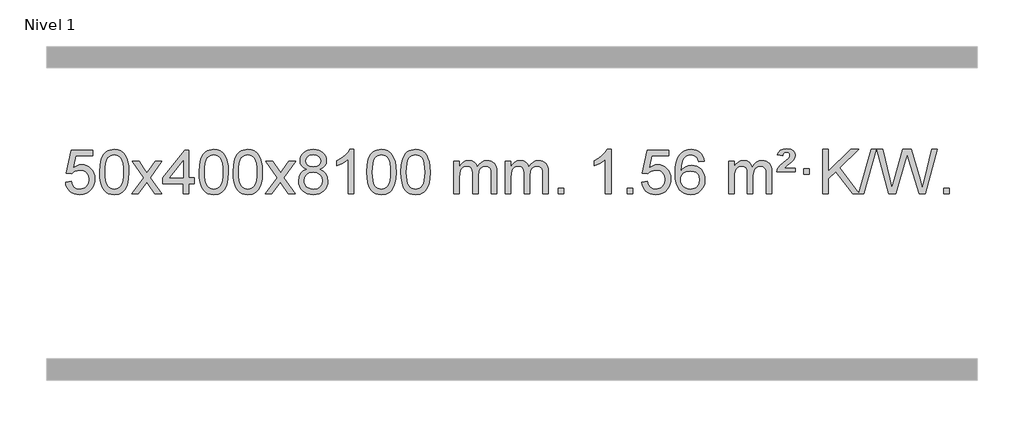
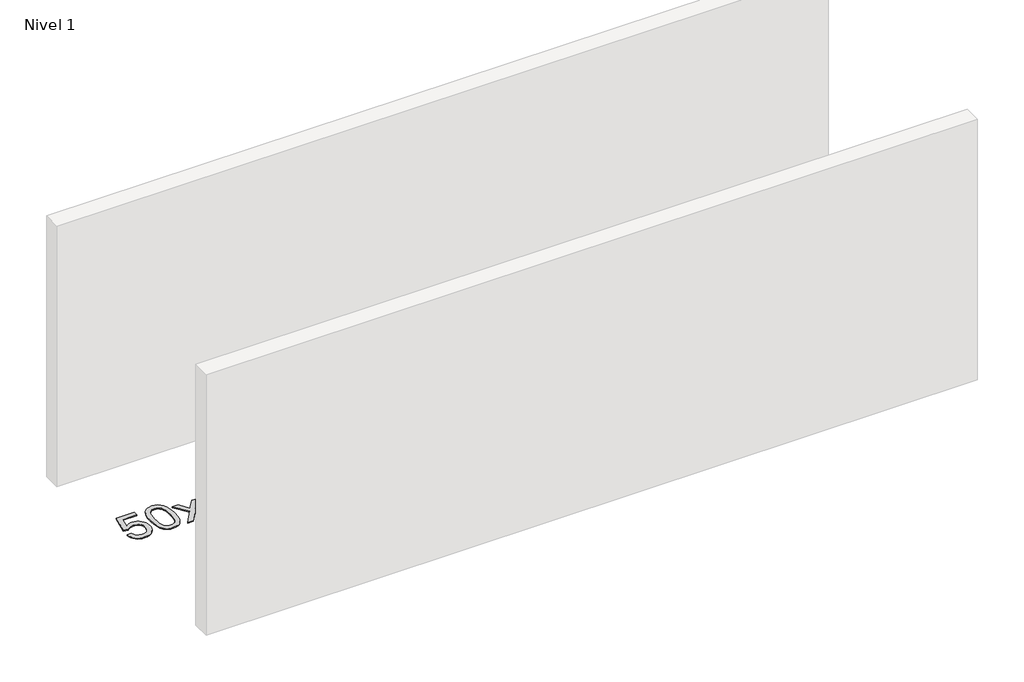
# One storey, part 7 of 7: 1 proxy.
"""IFC4 building model written with IfcOpenShell, lengths in millimetres."""

from ifc_helpers import new_model, si_unit, origin, origin_with_axes, place, context, project, spatial, polyline, outline, extrude, element, save

model = new_model("IFC4")

# Units and contexts
model_context = context("Model", 3, world=origin())
ifc_project = project(units=[si_unit("LENGTHUNIT", "METRE", prefix="MILLI")], contexts=[model_context])

# Site, building, storey
site = spatial("IfcSite", under=ifc_project)
building = spatial("IfcBuilding", under=site)
storey = spatial("IfcBuildingStorey", under=building, Name="Nivel 1", Elevation=0.0)

# Proxy
placement = place(None, origin())
element("IfcBuildingElementProxy", 1, Name="Texto de modelo 1", ObjectType="Texto de modelo 1", at=placement, inside=storey, context=model_context, shape_type="SweptSolid", body=[
    extrude(outline(polyline([(-13306.1697105, -9858.8446235), (-13255.9415554, -9852.5661041), (-13246.71998, -9882.7201649), (-13230.6312741, -9904.3148381), (-13207.749014, -9917.3010725), (-13178.1467761, -9921.6298173), (-13159.0169124, -9920.1245668), (-13142.1433915, -9915.6088153), (-13127.5262136, -9908.0825628), (-13115.1653786, -9897.5458094), (-13105.3367979, -9884.519721), (-13098.3163832, -9869.5254641), (-13092.7000514, -9833.6324441), (-13097.9607639, -9799.8363514), (-13104.5366546, -9785.9181493), (-13113.7429015, -9773.9865099), (-13125.6101615, -9764.4154467), (-13140.1690915, -9757.5789729), (-13177.3619612, -9752.1097939), (-13201.728012, -9754.2925604), (-13221.4587497, -9760.8408599), (-13237.2163618, -9770.8717757), (-13249.663036, -9783.5023908), (-13299.8911911, -9777.2238715), (-13255.9415554, -9570.0327318), (-13061.3074545, -9570.0327318), (-13061.3074545, -9620.2608869), (-13215.3273831, -9620.2608869), (-13236.8116916, -9730.919791), (-13219.0859108, -9718.2155994), (-13200.9309344, -9709.1411769), (-13182.3467623, -9703.6965234), (-13163.3333945, -9701.8816388), (-13138.8723075, -9704.1318504), (-13116.4039146, -9710.882485), (-13095.9282159, -9722.1335427), (-13077.4452113, -9737.8850234), (-13062.144386, -9757.1743027), (-13051.2152251, -9779.038756), (-13044.6577285, -9803.4783832), (-13042.4718963, -9830.4931844), (-13044.440065, -9856.5147042), (-13050.344571, -9880.7213394), (-13060.1854144, -9903.1130902), (-13073.9625951, -9923.6899565), (-13094.833767, -9944.7634634), (-13119.187555, -9959.8159684), (-13147.0239593, -9968.8474714), (-13178.3429799, -9971.8579724), (-13204.2633321, -9969.9235262), (-13227.6759554, -9964.1201877), (-13248.5808498, -9954.447957), (-13266.9780152, -9940.9068338), (-13282.2849719, -9924.1712688), (-13293.91924, -9904.915712), (-13301.8808195, -9883.1401636), (-13306.1697105, -9858.8446235)])), origin_with_axes(), (0.0, 0.0, 1.0), 10.0),
    extrude(outline(polyline([(-12998.5222606, -9767.9041943), (-12994.8311779, -9703.5861588), (-12983.7579299, -9652.2911459), (-12965.4128811, -9613.2343407), (-12953.5548181, -9598.0009605), (-12939.9063961, -9585.6309284), (-12924.4216298, -9576.0598651), (-12907.0545339, -9569.2233914), (-12866.6733536, -9563.7542124), (-12835.722215, -9566.991574), (-12808.0084381, -9576.7036586), (-12784.8318724, -9592.5103217), (-12767.4923677, -9614.0314184), (-12754.3957686, -9641.0830078), (-12743.94792, -9673.4811488), (-12737.1053149, -9714.6226186), (-12734.8244465, -9767.9041943), (-12738.478741, -9831.8543477), (-12749.4416244, -9883.0267333), (-12767.6763087, -9922.1203266), (-12779.5067805, -9937.3996922), (-12793.1460055, -9949.8341036), (-12808.6491659, -9959.4695462), (-12826.071444, -9966.3520052), (-12866.6733536, -9971.8579724), (-12894.3380796, -9969.4667394), (-12918.8635459, -9962.2930405), (-12940.2497526, -9950.3368757), (-12958.4966996, -9933.5982449), (-12976.0078825, -9903.3399508), (-12988.5158704, -9865.6381776), (-12996.0206631, -9820.4929255), (-12998.5222606, -9767.9041943)]), holes=[polyline([(-12948.2941056, -9767.8060924), (-12946.8225776, -9811.4706195), (-12942.4079936, -9846.8148822), (-12935.0503537, -9873.8388804), (-12924.7496579, -9892.5426142), (-12912.290721, -9905.2682656), (-12898.4583579, -9914.3580165), (-12883.2525688, -9919.8118671), (-12866.6733536, -9921.6298173), (-12850.0941383, -9919.8057357), (-12834.8883492, -9914.3334911), (-12821.0559862, -9905.2130833), (-12808.5970493, -9892.4445124), (-12798.2963534, -9873.7101217), (-12790.9387135, -9846.6922549), (-12786.5241295, -9811.3909118), (-12785.0526016, -9767.8060924), (-12786.4750786, -9725.2973278), (-12790.7425098, -9690.5753989), (-12797.854895, -9663.6403055), (-12807.8122343, -9644.4920476), (-12820.0627048, -9631.1440625), (-12834.0544833, -9621.6097875), (-12849.78757, -9615.8892225), (-12867.2619648, -9613.9823675), (-12883.7553409, -9615.6623619), (-12898.7036126, -9620.7023452), (-12912.10678, -9629.1023175), (-12923.9648429, -9640.8622786), (-12934.6088953, -9661.708925), (-12942.2117899, -9689.8151094), (-12946.7735266, -9725.1808319), (-12948.2941056, -9767.8060924)])]), origin_with_axes(), (0.0, 0.0, 1.0), 10.0),
    extrude(outline(polyline([(-12709.7103689, -9965.579453), (-12602.3869282, -9817.2494325), (-12703.4318496, -9670.4890419), (-12643.0011005, -9670.4890419), (-12594.2444734, -9741.122385), (-12571.4848406, -9774.4770192), (-12551.7663657, -9747.2047007), (-12496.2407099, -9670.4890419), (-12435.8099608, -9670.4890419), (-12541.9561791, -9817.2494325), (-12439.7340354, -9965.579453), (-12500.1647845, -9965.579453), (-12561.6746541, -9876.4048574), (-12572.9563686, -9860.1199477), (-12649.2796199, -9965.579453), (-12709.7103689, -9965.579453)])), origin_with_axes(), (0.0, 0.0, 1.0), 10.0),
    extrude(outline(polyline([(-12245.0999345, -9965.579453), (-12245.0999345, -9871.4016622), (-12427.1769967, -9871.4016622), (-12427.1769967, -9821.1735072), (-12232.5428957, -9570.0327318), (-12194.8717794, -9570.0327318), (-12194.8717794, -9821.1735072), (-12144.6436244, -9821.1735072), (-12144.6436244, -9871.4016622), (-12194.8717794, -9871.4016622), (-12194.8717794, -9965.579453), (-12245.0999345, -9965.579453)]), holes=[polyline([(-12245.0999345, -9821.1735072), (-12245.0999345, -9665.9763561), (-12365.3728215, -9821.1735072), (-12245.0999345, -9821.1735072)])]), origin_with_axes(), (0.0, 0.0, 1.0), 10.0),
    extrude(outline(polyline([(-12100.6939887, -9767.9041943), (-12097.002906, -9703.5861588), (-12085.9296579, -9652.2911459), (-12067.5846091, -9613.2343407), (-12055.7265461, -9598.0009605), (-12042.0781241, -9585.6309284), (-12026.5933578, -9576.0598651), (-12009.2262619, -9569.2233914), (-11968.8450816, -9563.7542124), (-11937.8939431, -9566.991574), (-11910.1801661, -9576.7036586), (-11887.0036004, -9592.5103217), (-11869.6640957, -9614.0314184), (-11856.5674967, -9641.0830078), (-11846.119648, -9673.4811488), (-11839.2770429, -9714.6226186), (-11836.9961745, -9767.9041943), (-11840.650469, -9831.8543477), (-11851.6133525, -9883.0267333), (-11869.8480367, -9922.1203266), (-11881.6785085, -9937.3996922), (-11895.3177335, -9949.8341036), (-11910.8208939, -9959.4695462), (-11928.2431721, -9966.3520052), (-11968.8450816, -9971.8579724), (-11996.5098076, -9969.4667394), (-12021.035274, -9962.2930405), (-12042.4214806, -9950.3368757), (-12060.6684276, -9933.5982449), (-12078.1796106, -9903.3399508), (-12090.6875984, -9865.6381776), (-12098.1923911, -9820.4929255), (-12100.6939887, -9767.9041943)]), holes=[polyline([(-12050.4658336, -9767.8060924), (-12048.9943056, -9811.4706195), (-12044.5797217, -9846.8148822), (-12037.2220818, -9873.8388804), (-12026.9213859, -9892.5426142), (-12014.462449, -9905.2682656), (-12000.630086, -9914.3580165), (-11985.4242968, -9919.8118671), (-11968.8450816, -9921.6298173), (-11952.2658663, -9919.8057357), (-11937.0600772, -9914.3334911), (-11923.2277142, -9905.2130833), (-11910.7687773, -9892.4445124), (-11900.4680814, -9873.7101217), (-11893.1104415, -9846.6922549), (-11888.6958576, -9811.3909118), (-11887.2243296, -9767.8060924), (-11888.6468066, -9725.2973278), (-11892.9142378, -9690.5753989), (-11900.026623, -9663.6403055), (-11909.9839624, -9644.4920476), (-11922.2344328, -9631.1440625), (-11936.2262114, -9621.6097875), (-11951.959298, -9615.8892225), (-11969.4336928, -9613.9823675), (-11985.9270689, -9615.6623619), (-12000.8753406, -9620.7023452), (-12014.278508, -9629.1023175), (-12026.136571, -9640.8622786), (-12036.7806234, -9661.708925), (-12044.3835179, -9689.8151094), (-12048.9452547, -9725.1808319), (-12050.4658336, -9767.8060924)])]), origin_with_axes(), (0.0, 0.0, 1.0), 10.0),
    extrude(outline(polyline([(-11793.0465388, -9767.9041943), (-11789.3554561, -9703.5861588), (-11778.2822081, -9652.2911459), (-11759.9371593, -9613.2343407), (-11748.0790963, -9598.0009605), (-11734.4306743, -9585.6309284), (-11718.945908, -9576.0598651), (-11701.5788121, -9569.2233914), (-11661.1976318, -9563.7542124), (-11630.2464932, -9566.991574), (-11602.5327163, -9576.7036586), (-11579.3561506, -9592.5103217), (-11562.0166459, -9614.0314184), (-11548.9200468, -9641.0830078), (-11538.4721982, -9673.4811488), (-11531.6295931, -9714.6226186), (-11529.3487247, -9767.9041943), (-11533.0030192, -9831.8543477), (-11543.9659026, -9883.0267333), (-11562.2005869, -9922.1203266), (-11574.0310587, -9937.3996922), (-11587.6702837, -9949.8341036), (-11603.1734441, -9959.4695462), (-11620.5957222, -9966.3520052), (-11661.1976318, -9971.8579724), (-11688.8623578, -9969.4667394), (-11713.3878241, -9962.2930405), (-11734.7740308, -9950.3368757), (-11753.0209778, -9933.5982449), (-11770.5321607, -9903.3399508), (-11783.0401486, -9865.6381776), (-11790.5449413, -9820.4929255), (-11793.0465388, -9767.9041943)]), holes=[polyline([(-11742.8183838, -9767.8060924), (-11741.3468558, -9811.4706195), (-11736.9322718, -9846.8148822), (-11729.5746319, -9873.8388804), (-11719.2739361, -9892.5426142), (-11706.8149992, -9905.2682656), (-11692.9826361, -9914.3580165), (-11677.776847, -9919.8118671), (-11661.1976318, -9921.6298173), (-11644.6184165, -9919.8057357), (-11629.4126274, -9914.3334911), (-11615.5802644, -9905.2130833), (-11603.1213275, -9892.4445124), (-11592.8206316, -9873.7101217), (-11585.4629917, -9846.6922549), (-11581.0484077, -9811.3909118), (-11579.5768798, -9767.8060924), (-11580.9993568, -9725.2973278), (-11585.266788, -9690.5753989), (-11592.3791732, -9663.6403055), (-11602.3365125, -9644.4920476), (-11614.586983, -9631.1440625), (-11628.5787615, -9621.6097875), (-11644.3118482, -9615.8892225), (-11661.786243, -9613.9823675), (-11678.2796191, -9615.6623619), (-11693.2278908, -9620.7023452), (-11706.6310582, -9629.1023175), (-11718.4891211, -9640.8622786), (-11729.1331735, -9661.708925), (-11736.7360681, -9689.8151094), (-11741.2978048, -9725.1808319), (-11742.8183838, -9767.8060924)])]), origin_with_axes(), (0.0, 0.0, 1.0), 10.0),
    extrude(outline(polyline([(-11504.2346472, -9965.579453), (-11396.9112064, -9817.2494325), (-11497.9561278, -9670.4890419), (-11437.5253787, -9670.4890419), (-11388.7687516, -9741.122385), (-11366.0091188, -9774.4770192), (-11346.2906439, -9747.2047007), (-11290.7649881, -9670.4890419), (-11230.334239, -9670.4890419), (-11336.4804574, -9817.2494325), (-11234.2583136, -9965.579453), (-11294.6890627, -9965.579453), (-11356.1989323, -9876.4048574), (-11367.4806468, -9860.1199477), (-11443.8038981, -9965.579453), (-11504.2346472, -9965.579453)])), origin_with_axes(), (0.0, 0.0, 1.0), 10.0),
    extrude(outline(polyline([(-11129.6817251, -9744.2616447), (-11156.573899, -9731.0178929), (-11175.4462453, -9713.0652515), (-11186.5930698, -9690.7716026), (-11190.3086779, -9664.5048281), (-11188.285327, -9644.0199324), (-11182.215274, -9625.2395565), (-11172.0985192, -9608.1637006), (-11157.9350624, -9592.7923645), (-11140.4054853, -9580.088173), (-11120.1903697, -9571.0137504), (-11097.2897155, -9565.5690969), (-11071.7035227, -9563.7542124), (-11045.9947026, -9565.6120165), (-11022.9223701, -9571.1854287), (-11002.4865253, -9580.4744491), (-10984.6871681, -9593.4790776), (-10970.2661939, -9609.1508506), (-10959.965498, -9626.4413044), (-10953.7850805, -9645.3504389), (-10951.7249413, -9665.8782543), (-10955.3914986, -9691.2989001), (-10966.3911702, -9713.2124043), (-10984.8465836, -9731.0546811), (-11010.8803662, -9744.2616447), (-10979.9660158, -9760.1909351), (-10957.4639005, -9783.6495436), (-10943.741902, -9813.5092989), (-10939.1679026, -9848.6420295), (-10941.4365082, -9873.6947933), (-10948.2423251, -9896.6628926), (-10959.5853533, -9917.5463272), (-10975.4655928, -9936.3450971), (-10995.0491776, -9951.88198), (-11017.5022421, -9962.9797536), (-11042.8247861, -9969.6384177), (-11071.0168096, -9971.8579724), (-11099.2088332, -9969.6292206), (-11124.5313772, -9962.9429654), (-11146.9844416, -9951.7992066), (-11166.5680265, -9936.1979443), (-11182.448266, -9917.26735), (-11193.7912942, -9896.135595), (-11200.5971111, -9872.8026795), (-11202.8657167, -9847.2686033), (-11198.1077762, -9810.7747094), (-11183.8339548, -9780.7555386), (-11160.7800165, -9758.2411605), (-11129.6817251, -9744.2616447)]), holes=[polyline([(-11140.0805229, -9665.9763561), (-11135.6291507, -9687.902123), (-11122.2750343, -9705.413306), (-11100.410581, -9716.8912243), (-11070.4281984, -9720.717197), (-11041.1447916, -9716.9157497), (-11019.6114322, -9705.5114079), (-11006.3676803, -9688.5888361), (-11001.9530964, -9668.232699), (-11006.5148331, -9647.1040098), (-11020.2000434, -9629.629615), (-11042.0277084, -9617.8941794), (-11071.0168096, -9613.9823675), (-11100.1898519, -9617.8083402), (-11121.9807287, -9629.2862585), (-11135.5555743, -9646.1107284), (-11140.0805229, -9665.9763561)]), polyline([(-11152.6375616, -9845.5027698), (-11150.5406343, -9864.7184726), (-11144.2498521, -9883.3210389), (-11132.6370438, -9899.5446349), (-11114.5740379, -9911.623427), (-11092.9425765, -9919.1282197), (-11070.6244022, -9921.6298173), (-11036.4359021, -9916.3691048), (-11022.5422254, -9909.7932141), (-11010.7822643, -9900.5869672), (-10994.7426093, -9876.6869002), (-10989.3960576, -9847.0723996), (-10994.9142876, -9816.9551269), (-11011.4689773, -9792.5277625), (-11023.5477695, -9783.0854579), (-11037.7112263, -9776.3409547), (-11072.2921339, -9770.9453521), (-11106.0023874, -9776.2673783), (-11119.7397142, -9782.919911), (-11131.3985078, -9792.2334569), (-11147.3277982, -9816.1948375), (-11152.6375616, -9845.5027698)])]), origin_with_axes(), (0.0, 0.0, 1.0), 10.0),
    extrude(outline(polyline([(-10706.8626853, -9965.579453), (-10757.0908404, -9965.579453), (-10757.0908404, -9652.4382987), (-10778.0601141, -9669.3976587), (-10804.6702451, -9686.3324932), (-10857.5471506, -9711.6918254), (-10857.5471506, -9664.2105225), (-10818.097938, -9642.7507395), (-10783.9217006, -9617.219729), (-10756.9804758, -9590.0700378), (-10739.2363009, -9563.7542124), (-10706.8626853, -9563.7542124), (-10706.8626853, -9965.579453)])), origin_with_axes(), (0.0, 0.0, 1.0), 10.0),
    extrude(outline(polyline([(-10587.570817, -9767.9041943), (-10583.8797344, -9703.5861588), (-10572.8064863, -9652.2911459), (-10554.4614375, -9613.2343407), (-10542.6033745, -9598.0009605), (-10528.9549525, -9585.6309284), (-10513.4701862, -9576.0598651), (-10496.1030903, -9569.2233914), (-10455.72191, -9563.7542124), (-10424.7707714, -9566.991574), (-10397.0569945, -9576.7036586), (-10373.8804288, -9592.5103217), (-10356.5409241, -9614.0314184), (-10343.444325, -9641.0830078), (-10332.9964764, -9673.4811488), (-10326.1538713, -9714.6226186), (-10323.8730029, -9767.9041943), (-10327.5272974, -9831.8543477), (-10338.4901808, -9883.0267333), (-10356.7248651, -9922.1203266), (-10368.5553369, -9937.3996922), (-10382.1945619, -9949.8341036), (-10397.6977223, -9959.4695462), (-10415.1200004, -9966.3520052), (-10455.72191, -9971.8579724), (-10483.386636, -9969.4667394), (-10507.9121024, -9962.2930405), (-10529.298309, -9950.3368757), (-10547.545256, -9933.5982449), (-10565.0564389, -9903.3399508), (-10577.5644268, -9865.6381776), (-10585.0692195, -9820.4929255), (-10587.570817, -9767.9041943)]), holes=[polyline([(-10537.342662, -9767.8060924), (-10535.871134, -9811.4706195), (-10531.45655, -9846.8148822), (-10524.0989101, -9873.8388804), (-10513.7982143, -9892.5426142), (-10501.3392774, -9905.2682656), (-10487.5069144, -9914.3580165), (-10472.3011252, -9919.8118671), (-10455.72191, -9921.6298173), (-10439.1426947, -9919.8057357), (-10423.9369056, -9914.3334911), (-10410.1045426, -9905.2130833), (-10397.6456057, -9892.4445124), (-10387.3449098, -9873.7101217), (-10379.9872699, -9846.6922549), (-10375.572686, -9811.3909118), (-10374.101158, -9767.8060924), (-10375.523635, -9725.2973278), (-10379.7910662, -9690.5753989), (-10386.9034514, -9663.6403055), (-10396.8607907, -9644.4920476), (-10409.1112612, -9631.1440625), (-10423.1030397, -9621.6097875), (-10438.8361264, -9615.8892225), (-10456.3105212, -9613.9823675), (-10472.8038973, -9615.6623619), (-10487.752169, -9620.7023452), (-10501.1553364, -9629.1023175), (-10513.0133993, -9640.8622786), (-10523.6574517, -9661.708925), (-10531.2603463, -9689.8151094), (-10535.8220831, -9725.1808319), (-10537.342662, -9767.8060924)])]), origin_with_axes(), (0.0, 0.0, 1.0), 10.0),
    extrude(outline(polyline([(-10279.9233672, -9767.9041943), (-10276.2322845, -9703.5861588), (-10265.1590365, -9652.2911459), (-10246.8139876, -9613.2343407), (-10234.9559247, -9598.0009605), (-10221.3075026, -9585.6309284), (-10205.8227363, -9576.0598651), (-10188.4556405, -9569.2233914), (-10148.0744601, -9563.7542124), (-10117.1233216, -9566.991574), (-10089.4095446, -9576.7036586), (-10066.2329789, -9592.5103217), (-10048.8934742, -9614.0314184), (-10035.7968752, -9641.0830078), (-10025.3490265, -9673.4811488), (-10018.5064214, -9714.6226186), (-10016.2255531, -9767.9041943), (-10019.8798475, -9831.8543477), (-10030.842731, -9883.0267333), (-10049.0774152, -9922.1203266), (-10060.9078871, -9937.3996922), (-10074.547112, -9949.8341036), (-10090.0502724, -9959.4695462), (-10107.4725506, -9966.3520052), (-10148.0744601, -9971.8579724), (-10175.7391862, -9969.4667394), (-10200.2646525, -9962.2930405), (-10221.6508592, -9950.3368757), (-10239.8978061, -9933.5982449), (-10257.4089891, -9903.3399508), (-10269.9169769, -9865.6381776), (-10277.4217696, -9820.4929255), (-10279.9233672, -9767.9041943)]), holes=[polyline([(-10229.6952121, -9767.8060924), (-10228.2236842, -9811.4706195), (-10223.8091002, -9846.8148822), (-10216.4514603, -9873.8388804), (-10206.1507644, -9892.5426142), (-10193.6918275, -9905.2682656), (-10179.8594645, -9914.3580165), (-10164.6536754, -9919.8118671), (-10148.0744601, -9921.6298173), (-10131.4952449, -9919.8057357), (-10116.2894558, -9914.3334911), (-10102.4570927, -9905.2130833), (-10089.9981558, -9892.4445124), (-10079.69746, -9873.7101217), (-10072.3398201, -9846.6922549), (-10067.9252361, -9811.3909118), (-10066.4537081, -9767.8060924), (-10067.8761852, -9725.2973278), (-10072.1436163, -9690.5753989), (-10079.2560016, -9663.6403055), (-10089.2133409, -9644.4920476), (-10101.4638113, -9631.1440625), (-10115.4555899, -9621.6097875), (-10131.1886766, -9615.8892225), (-10148.6630713, -9613.9823675), (-10165.1564474, -9615.6623619), (-10180.1047192, -9620.7023452), (-10193.5078865, -9629.1023175), (-10205.3659495, -9640.8622786), (-10216.0100019, -9661.708925), (-10223.6128965, -9689.8151094), (-10228.1746332, -9725.1808319), (-10229.6952121, -9767.8060924)])]), origin_with_axes(), (0.0, 0.0, 1.0), 10.0),
    extrude(outline(polyline([(-9802.755894, -9965.579453), (-9802.755894, -9670.4890419), (-9752.5277389, -9670.4890419), (-9752.5277389, -9719.0494653), (-9737.4200517, -9696.7435537), (-9717.9958823, -9679.2691589), (-9694.9174185, -9667.9751816), (-9668.8468478, -9664.2105225), (-9640.9123416, -9668.048758), (-9618.5205908, -9679.5634645), (-9601.7942228, -9697.9943524), (-9590.8558648, -9722.5811324), (-9572.5476041, -9697.0439906), (-9551.6641696, -9678.803175), (-9528.205561, -9667.8586857), (-9502.1717785, -9664.2105225), (-9482.0639617, -9665.7280358), (-9464.414823, -9670.2805755), (-9449.2243623, -9677.8681416), (-9436.4925796, -9688.4907342), (-9426.4279413, -9702.2709806), (-9419.238914, -9719.3315082), (-9414.9254976, -9739.6723168), (-9413.4876922, -9763.2934066), (-9413.4876922, -9965.579453), (-9463.7158472, -9965.579453), (-9463.7158472, -9784.875817), (-9464.8808069, -9759.8230531), (-9468.3756858, -9742.9372695), (-9474.9239854, -9731.3735121), (-9485.2492067, -9722.2868268), (-9498.5297467, -9716.4007149), (-9513.9440023, -9714.4386776), (-9541.1550072, -9719.4663982), (-9563.3382915, -9734.54956), (-9571.9436645, -9746.1194488), (-9578.0903595, -9760.7182326), (-9583.0077155, -9799.0024856), (-9583.0077155, -9965.579453), (-9633.2358706, -9965.579453), (-9633.2358706, -9779.2840106), (-9636.1421384, -9750.8835206), (-9644.8609417, -9730.6254854), (-9660.2016209, -9718.4853796), (-9682.9735164, -9714.4386776), (-9702.3241093, -9717.1364789), (-9720.1541233, -9725.2298828), (-9734.8694032, -9738.5226856), (-9744.8757934, -9756.8186835), (-9750.6147525, -9782.2025411), (-9752.5277389, -9816.7589232), (-9752.5277389, -9965.579453), (-9802.755894, -9965.579453)])), origin_with_axes(), (0.0, 0.0, 1.0), 10.0),
    extrude(outline(polyline([(-9338.1454596, -9965.579453), (-9338.1454596, -9670.4890419), (-9287.9173045, -9670.4890419), (-9287.9173045, -9719.0494653), (-9272.8096172, -9696.7435537), (-9253.3854479, -9679.2691589), (-9230.306984, -9667.9751816), (-9204.2364133, -9664.2105225), (-9176.3019071, -9668.048758), (-9153.9101564, -9679.5634645), (-9137.1837883, -9697.9943524), (-9126.2454303, -9722.5811324), (-9107.9371697, -9697.0439906), (-9087.0537351, -9678.803175), (-9063.5951266, -9667.8586857), (-9037.561344, -9664.2105225), (-9017.4535273, -9665.7280358), (-8999.8043886, -9670.2805755), (-8984.6139279, -9677.8681416), (-8971.8821452, -9688.4907342), (-8961.8175069, -9702.2709806), (-8954.6284796, -9719.3315082), (-8950.3150632, -9739.6723168), (-8948.8772577, -9763.2934066), (-8948.8772577, -9965.579453), (-8999.1054128, -9965.579453), (-8999.1054128, -9784.875817), (-9000.2703724, -9759.8230531), (-9003.7652514, -9742.9372695), (-9010.3135509, -9731.3735121), (-9020.6387722, -9722.2868268), (-9033.9193123, -9716.4007149), (-9049.3335679, -9714.4386776), (-9076.5445728, -9719.4663982), (-9098.7278571, -9734.54956), (-9107.3332301, -9746.1194488), (-9113.4799251, -9760.7182326), (-9118.3972811, -9799.0024856), (-9118.3972811, -9965.579453), (-9168.6254362, -9965.579453), (-9168.6254362, -9779.2840106), (-9171.5317039, -9750.8835206), (-9180.2505072, -9730.6254854), (-9195.5911864, -9718.4853796), (-9218.3630819, -9714.4386776), (-9237.7136749, -9717.1364789), (-9255.5436889, -9725.2298828), (-9270.2589687, -9738.5226856), (-9280.265359, -9756.8186835), (-9286.0043181, -9782.2025411), (-9287.9173045, -9816.7589232), (-9287.9173045, -9965.579453), (-9338.1454596, -9965.579453)])), origin_with_axes(), (0.0, 0.0, 1.0), 10.0),
    extrude(outline(polyline([(-8860.9779863, -9965.579453), (-8860.9779863, -9915.3512979), (-8810.7498313, -9915.3512979), (-8810.7498313, -9965.579453), (-8860.9779863, -9965.579453)])), origin_with_axes(), (0.0, 0.0, 1.0), 10.0),
    extrude(outline(polyline([(-8383.8105131, -9965.579453), (-8434.0386682, -9965.579453), (-8434.0386682, -9652.4382987), (-8455.0079419, -9669.3976587), (-8481.6180729, -9686.3324932), (-8534.4949784, -9711.6918254), (-8534.4949784, -9664.2105225), (-8495.0457657, -9642.7507395), (-8460.8695284, -9617.219729), (-8433.9283036, -9590.0700378), (-8416.1841287, -9563.7542124), (-8383.8105131, -9563.7542124), (-8383.8105131, -9965.579453)])), origin_with_axes(), (0.0, 0.0, 1.0), 10.0),
    extrude(outline(polyline([(-8239.4045673, -9965.579453), (-8239.4045673, -9915.3512979), (-8189.1764122, -9915.3512979), (-8189.1764122, -9965.579453), (-8239.4045673, -9965.579453)])), origin_with_axes(), (0.0, 0.0, 1.0), 10.0),
    extrude(outline(polyline([(-8107.5556602, -9858.8446235), (-8057.3275051, -9852.5661041), (-8048.1059298, -9882.7201649), (-8032.0172239, -9904.3148381), (-8009.1349638, -9917.3010725), (-7979.5327259, -9921.6298173), (-7960.4028621, -9920.1245668), (-7943.5293413, -9915.6088153), (-7928.9121634, -9908.0825628), (-7916.5513283, -9897.5458094), (-7906.7227477, -9884.519721), (-7899.7023329, -9869.5254641), (-7894.0860012, -9833.6324441), (-7899.3467137, -9799.8363514), (-7905.9226043, -9785.9181493), (-7915.1288513, -9773.9865099), (-7926.9961113, -9764.4154467), (-7941.5550413, -9757.5789729), (-7978.747911, -9752.1097939), (-8003.1139618, -9754.2925604), (-8022.8446995, -9760.8408599), (-8038.6023116, -9770.8717757), (-8051.0489858, -9783.5023908), (-8101.2771408, -9777.2238715), (-8057.3275051, -9570.0327318), (-7862.6934042, -9570.0327318), (-7862.6934042, -9620.2608869), (-8016.7133329, -9620.2608869), (-8038.1976414, -9730.919791), (-8020.4718606, -9718.2155994), (-8002.3168841, -9709.1411769), (-7983.732712, -9703.6965234), (-7964.7193442, -9701.8816388), (-7940.2582572, -9704.1318504), (-7917.7898644, -9710.882485), (-7897.3141657, -9722.1335427), (-7878.8311611, -9737.8850234), (-7863.5303358, -9757.1743027), (-7852.6011748, -9779.038756), (-7846.0436783, -9803.4783832), (-7843.8578461, -9830.4931844), (-7845.8260148, -9856.5147042), (-7851.7305208, -9880.7213394), (-7861.5713641, -9903.1130902), (-7875.3485449, -9923.6899565), (-7896.2197167, -9944.7634634), (-7920.5735048, -9959.8159684), (-7948.4099091, -9968.8474714), (-7979.7289296, -9971.8579724), (-8005.6492819, -9969.9235262), (-8029.0619052, -9964.1201877), (-8049.9667996, -9954.447957), (-8068.363965, -9940.9068338), (-8083.6709217, -9924.1712688), (-8095.3051898, -9904.915712), (-8103.2667693, -9883.1401636), (-8107.5556602, -9858.8446235)])), origin_with_axes(), (0.0, 0.0, 1.0), 10.0),
    extrude(outline(polyline([(-7542.4889156, -9670.4890419), (-7592.7170707, -9676.7675613), (-7600.8104746, -9651.874213), (-7611.7488326, -9634.8780648), (-7634.5329908, -9619.2062918), (-7662.0750895, -9613.9823675), (-7685.4233335, -9617.0235253), (-7707.3981513, -9626.1469988), (-7726.2704977, -9645.3627017), (-7741.6847533, -9671.8134171), (-7752.0958137, -9709.227016), (-7755.9585747, -9761.3313693), (-7735.8109041, -9737.8237098), (-7711.6655825, -9721.2567573), (-7684.8715105, -9711.434308), (-7656.7775888, -9708.1601582), (-7632.6445299, -9710.398107), (-7610.3754065, -9717.1119534), (-7589.9702185, -9728.3016975), (-7571.4289659, -9743.9673391), (-7556.0208417, -9763.1769106), (-7545.0150387, -9784.9984443), (-7538.4115568, -9809.4319401), (-7536.2103962, -9836.4773982), (-7540.3552001, -9872.4439945), (-7552.7896115, -9905.786366), (-7572.483561, -9934.0642287), (-7598.4069789, -9954.8372987), (-7629.3826429, -9967.602804), (-7664.2333306, -9971.8579724), (-7694.1758593, -9969.0375437), (-7721.2182516, -9960.5762579), (-7745.3605076, -9946.4741147), (-7766.6026271, -9926.7311143), (-7783.920672, -9900.5133908), (-7796.2907041, -9866.9870783), (-7803.7127234, -9826.1521768), (-7806.1867298, -9778.0086864), (-7803.4398775, -9724.0342663), (-7795.1993208, -9677.9693092), (-7781.4650597, -9639.8138149), (-7762.2370941, -9609.5677835), (-7741.3965791, -9589.5243462), (-7717.2328633, -9575.2076052), (-7689.7459469, -9566.6175606), (-7658.9358298, -9563.7542124), (-7635.8021837, -9565.5261773), (-7614.8635668, -9570.8420722), (-7596.1199792, -9579.7018969), (-7579.5714207, -9592.1056515), (-7565.6654813, -9607.6364031), (-7554.8497507, -9625.8772186), (-7547.1242288, -9646.8280983), (-7542.4889156, -9670.4890419)]), holes=[polyline([(-7755.9585747, -9835.6925832), (-7753.0523069, -9857.9494439), (-7744.3335036, -9879.2007605), (-7730.7954462, -9897.472233), (-7713.4314161, -9910.7895612), (-7692.4744051, -9918.9197533), (-7668.1574052, -9921.6298173), (-7635.0112374, -9916.0134855), (-7621.0961009, -9908.9930708), (-7608.9529294, -9899.1644901), (-7599.102889, -9886.9262824), (-7592.0671458, -9872.6769865), (-7586.4385513, -9838.1451299), (-7591.9935694, -9804.9989621), (-7598.9373421, -9791.3781312), (-7608.6586238, -9779.725469), (-7620.8385836, -9770.3904634), (-7635.1583902, -9763.7226022), (-7670.2175444, -9758.3883133), (-7703.3146612, -9763.7226022), (-7730.99165, -9779.725469), (-7741.9146795, -9791.2248471), (-7749.7168435, -9804.3858254), (-7754.3981419, -9819.2084042), (-7755.9585747, -9835.6925832)])]), origin_with_axes(), (0.0, 0.0, 1.0), 10.0),
    extrude(outline(polyline([(-7322.7407372, -9965.579453), (-7322.7407372, -9670.4890419), (-7272.5125821, -9670.4890419), (-7272.5125821, -9719.0494653), (-7257.4048948, -9696.7435537), (-7237.9807255, -9679.2691589), (-7214.9022617, -9667.9751816), (-7188.8316909, -9664.2105225), (-7160.8971848, -9668.048758), (-7138.505434, -9679.5634645), (-7121.7790659, -9697.9943524), (-7110.840708, -9722.5811324), (-7092.5324473, -9697.0439906), (-7071.6490127, -9678.803175), (-7048.1904042, -9667.8586857), (-7022.1566217, -9664.2105225), (-7002.0488049, -9665.7280358), (-6984.3996662, -9670.2805755), (-6969.2092055, -9677.8681416), (-6956.4774228, -9688.4907342), (-6946.4127845, -9702.2709806), (-6939.2237572, -9719.3315082), (-6934.9103408, -9739.6723168), (-6933.4725353, -9763.2934066), (-6933.4725353, -9965.579453), (-6983.7006904, -9965.579453), (-6983.7006904, -9784.875817), (-6984.8656501, -9759.8230531), (-6988.360529, -9742.9372695), (-6994.9088285, -9731.3735121), (-7005.2340499, -9722.2868268), (-7018.5145899, -9716.4007149), (-7033.9288455, -9714.4386776), (-7061.1398504, -9719.4663982), (-7083.3231347, -9734.54956), (-7091.9285077, -9746.1194488), (-7098.0752027, -9760.7182326), (-7102.9925587, -9799.0024856), (-7102.9925587, -9965.579453), (-7153.2207138, -9965.579453), (-7153.2207138, -9779.2840106), (-7156.1269816, -9750.8835206), (-7164.8457848, -9730.6254854), (-7180.186464, -9718.4853796), (-7202.9583595, -9714.4386776), (-7222.3089525, -9717.1364789), (-7240.1389665, -9725.2298828), (-7254.8542463, -9738.5226856), (-7264.8606366, -9756.8186835), (-7270.5995957, -9782.2025411), (-7272.5125821, -9816.7589232), (-7272.5125821, -9965.579453), (-7322.7407372, -9965.579453)])), origin_with_axes(), (0.0, 0.0, 1.0), 10.0),
    extrude(outline(polyline([(-6889.5228997, -9764.6668327), (-6885.6969269, -9748.8479069), (-6877.3582683, -9732.9799302), (-6855.8494344, -9707.8413272), (-6823.8927517, -9680.1030247), (-6779.7469123, -9642.726214), (-6772.6100016, -9631.1992448), (-6770.2310314, -9619.3779701), (-6772.1194923, -9607.2869152), (-6777.784875, -9597.5012541), (-6787.1536031, -9591.026531), (-6800.1521003, -9588.8682899), (-6812.5865117, -9590.4869707), (-6821.4402051, -9595.343013), (-6827.8658773, -9604.8098431), (-6833.0162252, -9620.2608869), (-6883.2443803, -9613.9823675), (-6872.4041241, -9588.7701881), (-6855.775858, -9571.2099542), (-6832.0106811, -9560.9092583), (-6799.7596928, -9557.475693), (-6763.9770374, -9561.6082341), (-6739.2308419, -9574.0058573), (-6724.8098677, -9592.3386434), (-6720.0028763, -9614.2766731), (-6724.0986292, -9637.1834586), (-6736.3858878, -9658.8149199), (-6756.9137031, -9678.6314968), (-6793.3830716, -9706.6886303), (-6818.9876584, -9733.2742358), (-6720.0028763, -9733.2742358), (-6720.0028763, -9764.6668327), (-6889.5228997, -9764.6668327)])), origin_with_axes(), (0.0, 0.0, 1.0), 10.0),
    extrude(outline(polyline([(-6644.6606437, -9789.7809102), (-6644.6606437, -9739.5527552), (-6594.4324886, -9739.5527552), (-6594.4324886, -9789.7809102), (-6644.6606437, -9789.7809102)])), origin_with_axes(), (0.0, 0.0, 1.0), 10.0),
    extrude(outline(polyline([(-6203.7908606, -9965.579453), (-6357.2221781, -9762.9009991), (-6424.9124652, -9827.4520265), (-6424.9124652, -9965.579453), (-6475.1406203, -9965.579453), (-6475.1406203, -9563.7542124), (-6424.9124652, -9563.7542124), (-6424.9124652, -9760.4484525), (-6218.8985479, -9563.7542124), (-6148.6576123, -9563.7542124), (-6321.611201, -9728.9577537), (-6146.9575911, -9959.5349332), (-6035.6442634, -9563.7542124), (-5990.3212016, -9563.7542124), (-6103.3345505, -9965.579453), (-6142.3790929, -9965.579453), (-6148.6576123, -9965.579453), (-6203.7908606, -9965.579453)])), origin_with_axes(), (0.0, 0.0, 1.0), 10.0),
    extrude(outline(polyline([(-5875.8363247, -9965.579453), (-5985.4161083, -9563.7542124), (-5933.6183234, -9563.7542124), (-5870.0483146, -9827.844434), (-5850.4279415, -9909.3670841), (-5829.4341424, -9837.2622131), (-5749.7754277, -9563.7542124), (-5675.1199081, -9563.7542124), (-5617.2398075, -9762.0180823), (-5592.4445611, -9835.5944814), (-5574.1730886, -9909.3670841), (-5555.1413268, -9830.1988788), (-5490.9827068, -9563.7542124), (-5439.1849219, -9563.7542124), (-5548.8628074, -9965.579453), (-5602.5245277, -9965.579453), (-5698.8605595, -9655.5775584), (-5712.3005151, -9612.3146358), (-5727.4082024, -9664.4067263), (-5815.2093719, -9965.579453), (-5875.8363247, -9965.579453)])), origin_with_axes(), (0.0, 0.0, 1.0), 10.0),
    extrude(outline(polyline([(-5382.6782474, -9965.579453), (-5382.6782474, -9915.3512979), (-5332.4500923, -9915.3512979), (-5332.4500923, -9965.579453), (-5382.6782474, -9965.579453)])), origin_with_axes(), (0.0, 0.0, 1.0), 10.0),
])

save(model, "model.ifc")
